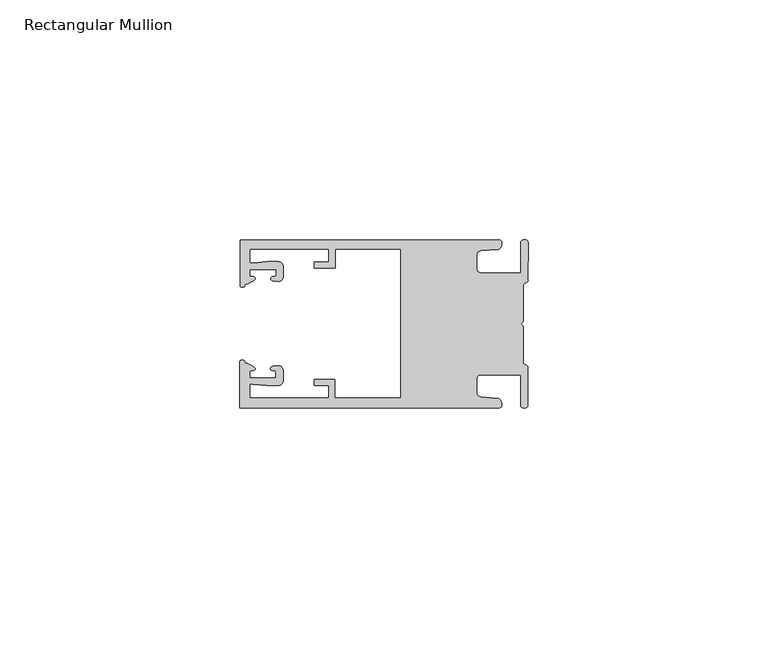
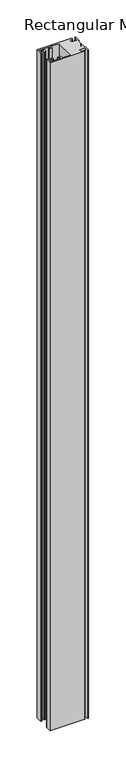
"""IFC4 building model written with IfcOpenShell, lengths in millimetres: member geometry, Rectangular Mullion."""

from ifc_helpers import new_model, si_unit, frame, origin, place, context, project, spatial, circle_curve, source, transform, mapped, element, save
from ifc_brep_helpers import plane_surface, cylinder_surface, extruded_surface, spline_curve, advanced_brep


def rectangular_mullion_03b6c600(model_context):
    return source(origin(), model_context, "Body", "AdvancedBrep", [
        advanced_brep(
        [(-60.0749377, 17.5111528, 0.0), (-60.0749377, 8.0140787, 0.0), (-59.3252567, 7.7187455, 0.0), (-58.4967974, 8.36785, 0.0), (-58.0726619, 10.1173923, 0.0), (-58.0713101, 11.3673916, 0.0), (-52.5713133, 11.3614437, 0.0), (-52.5726651, 10.1114444, 0.0), (-53.1427626, 8.8955539, 0.0), (-52.0740172, 8.8609044, 0.0), (-51.0729364, 9.8598224, 0.0), (-51.0706653, 11.9598211, 0.0), (-52.0700692, 12.9609024, 0.0), (-54.3905105, 12.9622843, 0.0), (-57.1599646, 12.7230061, 0.0), (-58.0696339, 12.9173907, 0.0), (-58.066768, 15.5673891, 0.0), (-41.5667584, 15.5673891, 0.0), (-41.5695894, 12.9495468, 0.0), (-44.5695877, 12.9527912, 0.0), (-44.5709936, 11.6527919, 0.0), (-40.2709961, 11.6481417, 0.0), (-40.2667576, 15.5673891, 0.0), (-26.6002952, 15.5673891, 0.0), (-26.6002952, -15.4518424, 0.0), (-40.3003032, -15.4518424, 0.0), (-40.2960856, -11.5518447, 0.0), (-44.5960831, -11.5471945, 0.0), (-44.597489, -12.8471938, 0.0), (-41.5974907, -12.8504381, 0.0), (-41.6003025, -15.4504366, 0.0), (-58.1002928, -15.4325927, 0.0), (-58.097427, -12.7825943, 0.0), (-57.1873395, -12.5901776, 0.0), (-54.4184094, -12.8354453, 0.0), (-52.0979705, -12.8390822, 0.0), (-51.0964037, -11.8401649, 0.0), (-51.0941327, -9.7401662, 0.0), (-52.0930507, -8.7390853, 0.0), (-53.1618685, -8.7714231, 0.0), (-52.5944022, -9.9885439, 0.0), (-52.595754, -11.2385431, 0.0), (-58.0957508, -11.2325952, 0.0), (-58.094399, -9.9825959, 0.0), (-58.5147494, -8.2321403, 0.0), (-59.3418028, -7.5812455, 0.0), (-60.0921208, -7.8749565, 0.0), (-60.0921208, -17.4888267, 0.0), (-6.1024861, -17.4888267, 0.0), (-6.5218639, -15.488372, 0.0), (-9.8784944, -15.2205466, 0.0), (-10.7989567, -14.2226333, 0.0), (-10.7961029, -11.5837474, 0.0), (-9.8734844, -10.5878272, 0.0), (-1.5950266, -10.5934991, 0.0), (-1.601948, -16.9936935, 0.0), (-0.1017194, -16.7830581, 0.0), (-0.0933208, -9.0170082, 0.0), (-1.0923837, -8.1499018, 0.0), (-1.0842165, -0.5977972, 0.0), (-1.0829111, 0.6093089, 0.0), (-1.0747439, 8.1614135, 0.0), (-0.0738079, 9.026357, 0.0), (-0.0654093, 16.7924069, 0.0), (-1.5651789, 17.0062866, 0.0), (-1.5651789, 10.6183257, 0.0), (-9.8505511, 10.6183257, 0.0), (-10.7710133, 11.6162391, 0.0), (-10.7681595, 14.255125, 0.0), (-9.845541, 15.2510452, 0.0), (-6.4883391, 15.5116099, 0.0), (-6.0646356, 17.5111528, 0.0), (-60.0749377, 17.5111528, -1096.6800002), (-6.0646356, 17.5111528, -1096.6800002), (-6.4883391, 15.5116099, -1096.6800002), (-9.845541, 15.2510452, -1096.6800002), (-10.7681595, 14.255125, -1096.6800002), (-10.7710133, 11.6162391, -1096.6800002), (-9.8505511, 10.6183257, -1096.6800002), (-1.5651789, 10.6183257, -1096.6800002), (-1.5651789, 17.0062866, -1096.6800002), (-0.0654093, 16.7924069, -1096.6800002), (-0.0738079, 9.026357, -1096.6800002), (-1.0747439, 8.1614135, -1096.6800002), (-1.0829111, 0.6093089, -1096.6800002), (-1.0842165, -0.5977972, -1096.6800002), (-1.0923837, -8.1499018, -1096.6800002), (-0.0933208, -9.0170082, -1096.6800002), (-0.1017194, -16.7830581, -1096.6800002), (-1.601948, -16.9936935, -1096.6800002), (-1.5950266, -10.5934991, -1096.6800002), (-9.8734844, -10.5878272, -1096.6800002), (-10.7961029, -11.5837474, -1096.6800002), (-10.7989567, -14.2226333, -1096.6800002), (-9.8784944, -15.2205466, -1096.6800002), (-6.5218639, -15.488372, -1096.6800002), (-6.1024861, -17.4888267, -1096.6800002), (-60.0921208, -17.4888267, -1096.6800002), (-60.0921208, -7.8749565, -1096.6800002), (-59.3418028, -7.5812455, -1096.6800002), (-58.5147494, -8.2321403, -1096.6800002), (-58.094399, -9.9825959, -1096.6800002), (-58.0957508, -11.2325952, -1096.6800002), (-52.595754, -11.2385431, -1096.6800002), (-52.5944022, -9.9885439, -1096.6800002), (-53.1618685, -8.7714231, -1096.6800002), (-52.0930507, -8.7390853, -1096.6800002), (-51.0941327, -9.7401662, -1096.6800002), (-51.0964037, -11.8401649, -1096.6800002), (-52.0979705, -12.8390823, -1096.6800002), (-54.4184094, -12.8354453, -1096.6800002), (-57.1873395, -12.5901776, -1096.6800002), (-58.097427, -12.7825943, -1096.6800002), (-58.1002928, -15.4325927, -1096.6800002), (-41.6003025, -15.4504366, -1096.6800002), (-41.5974907, -12.8504381, -1096.6800002), (-44.597489, -12.8471938, -1096.6800002), (-44.5960831, -11.5471945, -1096.6800002), (-40.2960856, -11.5518447, -1096.6800002), (-40.3003032, -15.4518424, -1096.6800002), (-26.6002952, -15.4518424, -1096.6800002), (-26.6002952, 15.5673891, -1096.6800002), (-40.2667576, 15.5673891, -1096.6800002), (-40.2709961, 11.6481417, -1096.6800002), (-44.5709936, 11.6527919, -1096.6800002), (-44.5695877, 12.9527912, -1096.6800002), (-41.5695894, 12.9495468, -1096.6800002), (-41.5667584, 15.5673891, -1096.6800002), (-58.066768, 15.5673891, -1096.6800002), (-58.0696339, 12.9173907, -1096.6800002), (-57.1599646, 12.7230061, -1096.6800002), (-54.3905105, 12.9622843, -1096.6800002), (-52.0700692, 12.9609023, -1096.6800002), (-51.0706653, 11.9598211, -1096.6800002), (-51.0729364, 9.8598224, -1096.6800002), (-52.0740172, 8.8609044, -1096.6800002), (-53.1427626, 8.8955539, -1096.6800002), (-52.5726651, 10.1114444, -1096.6800002), (-52.5713133, 11.3614437, -1096.6800002), (-58.0713101, 11.3673916, -1096.6800002), (-58.0726619, 10.1173923, -1096.6800002), (-58.4967974, 8.36785, -1096.6800002), (-59.3252567, 7.7187455, -1096.6800002), (-60.0749377, 8.0140787, -1096.6800002)],
        [
            (0, 1),
            (1, 2, spline_curve(3, [(-60.0749377, 8.0140787, 0.0), (-60.075233123, 7.740904774, 0.0), (-59.825339491, 7.642460332, 0.0), (-59.3252567, 7.7187455, 0.0)], [4, 4], [0.0, 0.0019169337574178654])),
            (2, 3, spline_curve(3, [(-59.3252567, 7.7187455, 0.0), (-59.094460914, 7.75918372, 0.0), (-59.054835463, 7.902257199, 0.0), (-59.05559987, 8.233305614, 0.0), (-59.138729113, 8.4134359, 0.0), (-58.4967974, 8.36785, 0.0)], [4, 2, 4], [0.0, 0.0010199524164107188, 0.0024874514725970356])),
            (3, 4, spline_curve(3, [(-58.4967974, 8.36785, 0.0), (-57.022393378, 9.053435667, 0.0), (-56.827266887, 9.364828726, 0.0), (-56.982213078, 9.742623404, 0.0), (-57.177375211, 9.855581791, 0.0), (-57.697928101, 9.887955071, 0.0), (-57.997449153, 9.835475348, 0.0), (-58.0726619, 10.1173923, 0.0)], [4, 2, 2, 4], [0.0, 0.003269869179570428, 0.005490050486237203, 0.0073545767114364426])),
            (4, 5),
            (5, 6),
            (6, 7),
            (7, 8, spline_curve(3, [(-52.5726651, 10.1114444, 0.0), (-52.667195519, 9.760172042, 0.0), (-52.937094388, 9.861877724, 0.0), (-53.356237032, 9.895631753, 0.0), (-53.491940439, 9.811038713, 0.0), (-53.761900775, 9.511438033, 0.0), (-53.892893546, 9.278787104, 0.0), (-53.1427626, 8.8955539, 0.0)], [4, 2, 2, 4], [0.0, 0.001593963049934732, 0.0033360256320283306, 0.005339140673503943])),
            (8, 9),
            (9, 10, circle_curve(frame((-52.0729358, 9.8609038, 0.0), z_axis=(0.0, 0.0, 1.0), x_axis=(-0.0010814451158600304, -0.9999994152380598, 0.0)), 1.0)),
            (10, 11),
            (11, 12, circle_curve(frame((-52.0706647, 11.9609026, 0.0), z_axis=(0.0, 0.0, 1.0), x_axis=(-0.0010814451158600304, -0.9999994152380598, 0.0)), 1.0)),
            (12, 13),
            (13, 14),
            (14, 15, spline_curve(3, [(-57.1599646, 12.7230061, 0.0), (-57.631533854, 12.682262968, 0.0), (-58.018602985, 12.477800124, 0.0), (-58.0696339, 12.9173907, 0.0)], [4, 4], [0.0, 0.0014803385355886016])),
            (15, 16),
            (16, 17),
            (17, 18),
            (18, 19),
            (19, 20),
            (20, 21),
            (21, 22),
            (22, 23),
            (23, 24),
            (24, 25),
            (25, 26),
            (26, 27),
            (27, 28),
            (28, 29),
            (29, 30),
            (30, 31),
            (31, 32),
            (32, 33, spline_curve(3, [(-58.097427, -12.7825943, 0.0), (-58.045445419, -12.343115126, 0.0), (-57.658819528, -12.548414611, 0.0), (-57.1873395, -12.5901776, 0.0)], [4, 4], [0.0, 0.0014803385355886016])),
            (33, 34),
            (34, 35),
            (35, 36, circle_curve(frame((-52.0964031, -11.8390835, 0.0), z_axis=(0.0, 0.0, 1.0), x_axis=(0.0010814451158600304, 0.9999994152380598, 0.0)), 1.0)),
            (36, 37),
            (37, 38, circle_curve(frame((-52.0941321, -9.7390847, 0.0), z_axis=(0.0, 0.0, 1.0), x_axis=(0.0010814451158600304, 0.9999994152380598, 0.0)), 1.0)),
            (38, 39),
            (39, 40, spline_curve(3, [(-53.1618685, -8.7714231, 0.0), (-53.912826582, -9.153032958, 0.0), (-53.782337352, -9.385966711, 0.0), (-53.51302565, -9.686150585, 0.0), (-53.377505444, -9.771037009, 0.0), (-52.958290774, -9.738189618, 0.0), (-52.688172635, -9.637067904, 0.0), (-52.5944022, -9.9885439, 0.0)], [4, 2, 2, 4], [0.0, 0.002003115041475612, 0.0037451776235692107, 0.005339140673503943])),
            (40, 41),
            (41, 42),
            (42, 43),
            (43, 44, spline_curve(3, [(-58.094399, -9.9825959, 0.0), (-58.018576674, -9.700842284, 0.0), (-57.719169706, -9.753969703, 0.0), (-57.198548014, -9.722722397, 0.0), (-57.003142178, -9.61018632, 0.0), (-56.847379222, -9.232727657, 0.0), (-57.041831673, -8.920913336, 0.0), (-58.5147494, -8.2321403, 0.0)], [4, 2, 2, 4], [0.0, 0.0018645262251992395, 0.004084707531866015, 0.0073545767114364426])),
            (44, 45, spline_curve(3, [(-58.5147494, -8.2321403, 0.0), (-59.156778208, -8.276337666, 0.0), (-59.073259494, -8.096387681, 0.0), (-59.071779067, -7.765341694, 0.0), (-59.111095017, -7.622182811, 0.0), (-59.3418028, -7.5812455, 0.0)], [4, 2, 4], [0.0, 0.0014674990561863168, 0.0024874514725970356])),
            (45, 46, spline_curve(3, [(-59.3418028, -7.5812455, 0.0), (-59.841719425, -7.503878887, 0.0), (-60.091825377, -7.601782574, 0.0), (-60.0921208, -7.8749565, 0.0)], [4, 4], [0.0, 0.0019169337574178654])),
            (46, 47),
            (47, 48),
            (48, 49, spline_curve(3, [(-6.1024861, -17.4888267, 0.0), (-5.074532184, -17.418062188, 0.0), (-5.631140689, -15.411414367, 0.0), (-6.5218639, -15.488372, 0.0)], [4, 4], [0.0, 0.0043819361547461745])),
            (49, 50),
            (50, 51, spline_curve(3, [(-9.8784944, -15.2205466, 0.0), (-10.440691543, -15.150698463, 0.0), (-10.74751234, -14.818060727, 0.0), (-10.7989567, -14.2226333, 0.0)], [4, 4], [0.0, 0.0028645797420738927])),
            (51, 52),
            (52, 53, spline_curve(3, [(-10.7961029, -11.5837474, 0.0), (-10.743370817, -10.988432634, 0.0), (-10.435831301, -10.656459204, 0.0), (-9.8734844, -10.5878272, 0.0)], [4, 4], [0.0, 0.0028645797420738927])),
            (53, 54),
            (54, 55),
            (55, 56, spline_curve(3, [(-1.601948, -16.9936935, 0.0), (-1.655676874, -17.600261454, 0.0), (-0.043737403, -17.912795581, 0.0), (-0.1017194, -16.7830581, 0.0)], [4, 4], [0.0, 0.0036987374396357936])),
            (56, 57),
            (57, 58, spline_curve(3, [(-0.0933208, -9.0170082, 0.0), (-0.018818183, -8.695886697, 0.0), (-1.193434327, -8.459763043, 0.0), (-1.0923837, -8.1499018, 0.0)], [4, 4], [0.0, 0.002027216749630121])),
            (58, 59),
            (59, 60, spline_curve(3, [(-1.0842165, -0.5977972, 0.0), (-1.013223198, -0.445980437, 0.0), (-1.487945123, -0.206736825, 0.0), (-1.487409651, 0.231097965, 0.0), (-0.999110985, 0.429090391, 0.0), (-1.0829111, 0.6093089, 0.0)], [4, 2, 4], [0.0, 0.00249866671847065, 0.005031402919736269])),
            (60, 61),
            (61, 62, spline_curve(3, [(-1.0747439, 8.1614135, 0.0), (-1.175124095, 8.47149258, 0.0), (-7e-09, 8.705075107, 0.0), (-0.0738079, 9.026357, 0.0)], [4, 4], [0.0, 0.002027216749630121])),
            (62, 63),
            (63, 64, spline_curve(3, [(-0.0654093, 16.7924069, 0.0), (-0.004983942, 17.92201633, 0.0), (-1.617595709, 17.612969344, 0.0), (-1.5651789, 17.0062866, 0.0)], [4, 4], [0.0, 0.0036987374396357936])),
            (64, 65),
            (65, 66),
            (66, 67, spline_curve(3, [(-9.8505511, 10.6183257, 0.0), (-10.412748243, 10.688173837, 0.0), (-10.71956894, 11.020811673, 0.0), (-10.7710133, 11.6162391, 0.0)], [4, 4], [0.0, 0.0028645797420738927])),
            (67, 68),
            (68, 69, spline_curve(3, [(-10.7681595, 14.255125, 0.0), (-10.715427417, 14.850439766, 0.0), (-10.407887901, 15.182413196, 0.0), (-9.845541, 15.2510452, 0.0)], [4, 4], [0.0, 0.0028645797420738927])),
            (69, 70),
            (70, 71, spline_curve(3, [(-6.4883391, 15.5116099, 0.0), (-5.597784423, 15.432725911, 0.0), (-5.036837144, 17.438165103, 0.0), (-6.0646356, 17.5111528, 0.0)], [4, 4], [0.0, 0.0043819361547461745])),
            (71, 0),
            (72, 73),
            (73, 74, spline_curve(3, [(-6.0646356, 17.5111528, -1096.6800002), (-5.036837144, 17.438165103, -1096.6800002), (-5.597784423, 15.432725911, -1096.6800002), (-6.4883391, 15.5116099, -1096.6800002)], [4, 4], [0.0, 0.0043819361547461745])),
            (74, 75),
            (75, 76, spline_curve(3, [(-9.845541, 15.2510452, -1096.6800002), (-10.407887901, 15.182413196, -1096.6800002), (-10.715427417, 14.850439766, -1096.6800002), (-10.7681595, 14.255125, -1096.6800002)], [4, 4], [0.0, 0.0028645797420738927])),
            (76, 77),
            (77, 78, spline_curve(3, [(-10.7710133, 11.6162391, -1096.6800002), (-10.71956894, 11.020811673, -1096.6800002), (-10.412748243, 10.688173837, -1096.6800002), (-9.8505511, 10.6183257, -1096.6800002)], [4, 4], [0.0, 0.0028645797420738927])),
            (78, 79),
            (79, 80),
            (80, 81, spline_curve(3, [(-1.5651789, 17.0062866, -1096.6800002), (-1.617595709, 17.612969344, -1096.6800002), (-0.004983942, 17.92201633, -1096.6800002), (-0.0654093, 16.7924069, -1096.6800002)], [4, 4], [0.0, 0.0036987374396357936])),
            (81, 82),
            (82, 83, spline_curve(3, [(-0.0738079, 9.026357, -1096.6800002), (-7e-09, 8.705075107, -1096.6800002), (-1.175124095, 8.47149258, -1096.6800002), (-1.0747439, 8.1614135, -1096.6800002)], [4, 4], [0.0, 0.002027216749630121])),
            (83, 84),
            (84, 85, spline_curve(3, [(-1.0829111, 0.6093089, -1096.6800002), (-0.999110985, 0.429090391, -1096.6800002), (-1.487409651, 0.231097965, -1096.6800002), (-1.487945123, -0.206736825, -1096.6800002), (-1.013223198, -0.445980437, -1096.6800002), (-1.0842165, -0.5977972, -1096.6800002)], [4, 2, 4], [0.0, 0.002532736201265619, 0.005031402919736269])),
            (85, 86),
            (86, 87, spline_curve(3, [(-1.0923837, -8.1499018, -1096.6800002), (-1.193434327, -8.459763043, -1096.6800002), (-0.018818183, -8.695886697, -1096.6800002), (-0.0933208, -9.0170082, -1096.6800002)], [4, 4], [0.0, 0.002027216749630121])),
            (87, 88),
            (88, 89, spline_curve(3, [(-0.1017194, -16.7830581, -1096.6800002), (-0.043737403, -17.912795581, -1096.6800002), (-1.655676874, -17.600261454, -1096.6800002), (-1.601948, -16.9936935, -1096.6800002)], [4, 4], [0.0, 0.0036987374396357936])),
            (89, 90),
            (90, 91),
            (91, 92, spline_curve(3, [(-9.8734844, -10.5878272, -1096.6800002), (-10.435831301, -10.656459204, -1096.6800002), (-10.743370817, -10.988432634, -1096.6800002), (-10.7961029, -11.5837474, -1096.6800002)], [4, 4], [0.0, 0.0028645797420738927])),
            (92, 93),
            (93, 94, spline_curve(3, [(-10.7989567, -14.2226333, -1096.6800002), (-10.74751234, -14.818060727, -1096.6800002), (-10.440691543, -15.150698463, -1096.6800002), (-9.8784944, -15.2205466, -1096.6800002)], [4, 4], [0.0, 0.0028645797420738927])),
            (94, 95),
            (95, 96, spline_curve(3, [(-6.5218639, -15.488372, -1096.6800002), (-5.631140689, -15.411414367, -1096.6800002), (-5.074532184, -17.418062188, -1096.6800002), (-6.1024861, -17.4888267, -1096.6800002)], [4, 4], [0.0, 0.0043819361547461745])),
            (96, 97),
            (97, 98),
            (98, 99, spline_curve(3, [(-60.0921208, -7.8749565, -1096.6800002), (-60.091825377, -7.601782574, -1096.6800002), (-59.841719425, -7.503878887, -1096.6800002), (-59.3418028, -7.5812455, -1096.6800002)], [4, 4], [0.0, 0.0019169337574178654])),
            (99, 100, spline_curve(3, [(-59.3418028, -7.5812455, -1096.6800002), (-59.111095017, -7.622182811, -1096.6800002), (-59.071779067, -7.765341694, -1096.6800002), (-59.073259494, -8.096387681, -1096.6800002), (-59.156778208, -8.276337666, -1096.6800002), (-58.5147494, -8.2321403, -1096.6800002)], [4, 2, 4], [0.0, 0.0010199524164107188, 0.0024874514725970356])),
            (100, 101, spline_curve(3, [(-58.5147494, -8.2321403, -1096.6800002), (-57.041831673, -8.920913336, -1096.6800002), (-56.847379222, -9.232727657, -1096.6800002), (-57.003142178, -9.61018632, -1096.6800002), (-57.198548014, -9.722722397, -1096.6800002), (-57.719169706, -9.753969703, -1096.6800002), (-58.018576674, -9.700842284, -1096.6800002), (-58.094399, -9.9825959, -1096.6800002)], [4, 2, 2, 4], [0.0, 0.003269869179570428, 0.005490050486237203, 0.0073545767114364426])),
            (101, 102),
            (102, 103),
            (103, 104),
            (104, 105, spline_curve(3, [(-52.5944022, -9.9885439, -1096.6800002), (-52.688172635, -9.637067904, -1096.6800002), (-52.958290774, -9.738189618, -1096.6800002), (-53.377505444, -9.771037009, -1096.6800002), (-53.51302565, -9.686150585, -1096.6800002), (-53.782337352, -9.385966711, -1096.6800002), (-53.912826582, -9.153032958, -1096.6800002), (-53.1618685, -8.7714231, -1096.6800002)], [4, 2, 2, 4], [0.0, 0.001593963049934732, 0.0033360256320283306, 0.005339140673503943])),
            (105, 106),
            (106, 107, circle_curve(frame((-52.0941321, -9.7390847, -1096.6800002), z_axis=(0.0, 0.0, -1.0), x_axis=(0.0010814451158600304, 0.9999994152380598, 0.0)), 1.0)),
            (107, 108),
            (108, 109, circle_curve(frame((-52.0964031, -11.8390835, -1096.6800002), z_axis=(0.0, 0.0, -1.0), x_axis=(0.0010814451158600304, 0.9999994152380598, 0.0)), 1.0)),
            (109, 110),
            (110, 111),
            (111, 112, spline_curve(3, [(-57.1873395, -12.5901776, -1096.6800002), (-57.658819528, -12.548414611, -1096.6800002), (-58.045445419, -12.343115126, -1096.6800002), (-58.097427, -12.7825943, -1096.6800002)], [4, 4], [0.0, 0.0014803385355886016])),
            (112, 113),
            (113, 114),
            (114, 115),
            (115, 116),
            (116, 117),
            (117, 118),
            (118, 119),
            (119, 120),
            (120, 121),
            (121, 122),
            (122, 123),
            (123, 124),
            (124, 125),
            (125, 126),
            (126, 127),
            (127, 128),
            (128, 129),
            (129, 130, spline_curve(3, [(-58.0696339, 12.9173907, -1096.6800002), (-58.018602985, 12.477800124, -1096.6800002), (-57.631533854, 12.682262968, -1096.6800002), (-57.1599646, 12.7230061, -1096.6800002)], [4, 4], [0.0, 0.0014803385355886016])),
            (130, 131),
            (131, 132),
            (132, 133, circle_curve(frame((-52.0706647, 11.9609026, -1096.6800002), z_axis=(0.0, 0.0, -1.0), x_axis=(-0.0010814451158600304, -0.9999994152380598, 0.0)), 1.0)),
            (133, 134),
            (134, 135, circle_curve(frame((-52.0729358, 9.8609038, -1096.6800002), z_axis=(0.0, 0.0, -1.0), x_axis=(-0.0010814451158600304, -0.9999994152380598, 0.0)), 1.0)),
            (135, 136),
            (136, 137, spline_curve(3, [(-53.1427626, 8.8955539, -1096.6800002), (-53.892893546, 9.278787104, -1096.6800002), (-53.761900775, 9.511438033, -1096.6800002), (-53.491940439, 9.811038713, -1096.6800002), (-53.356237032, 9.895631753, -1096.6800002), (-52.937094388, 9.861877724, -1096.6800002), (-52.667195519, 9.760172042, -1096.6800002), (-52.5726651, 10.1114444, -1096.6800002)], [4, 2, 2, 4], [0.0, 0.002003115041475612, 0.0037451776235692107, 0.005339140673503943])),
            (137, 138),
            (138, 139),
            (139, 140),
            (140, 141, spline_curve(3, [(-58.0726619, 10.1173923, -1096.6800002), (-57.997449153, 9.835475348, -1096.6800002), (-57.697928101, 9.887955071, -1096.6800002), (-57.177375211, 9.855581791, -1096.6800002), (-56.982213078, 9.742623404, -1096.6800002), (-56.827266887, 9.364828726, -1096.6800002), (-57.022393378, 9.053435667, -1096.6800002), (-58.4967974, 8.36785, -1096.6800002)], [4, 2, 2, 4], [0.0, 0.0018645262251992395, 0.004084707531866015, 0.0073545767114364426])),
            (141, 142, spline_curve(3, [(-58.4967974, 8.36785, -1096.6800002), (-59.138729113, 8.4134359, -1096.6800002), (-59.05559987, 8.233305614, -1096.6800002), (-59.054835463, 7.902257199, -1096.6800002), (-59.094460914, 7.75918372, -1096.6800002), (-59.3252567, 7.7187455, -1096.6800002)], [4, 2, 4], [0.0, 0.0014674990561863168, 0.0024874514725970356])),
            (142, 143, spline_curve(3, [(-59.3252567, 7.7187455, -1096.6800002), (-59.825339491, 7.642460332, -1096.6800002), (-60.075233123, 7.740904774, -1096.6800002), (-60.0749377, 8.0140787, -1096.6800002)], [4, 4], [0.0, 0.0019169337574178654])),
            (143, 72),
            (0, 72),
            (143, 1),
            (142, 2),
            (141, 3),
            (140, 4),
            (139, 5),
            (138, 6),
            (137, 7),
            (136, 8),
            (135, 9),
            (134, 10),
            (133, 11),
            (132, 12),
            (131, 13),
            (130, 14),
            (129, 15),
            (128, 16),
            (127, 17),
            (126, 18),
            (125, 19),
            (124, 20),
            (123, 21),
            (122, 22),
            (121, 23),
            (120, 24),
            (119, 25),
            (118, 26),
            (117, 27),
            (116, 28),
            (115, 29),
            (114, 30),
            (113, 31),
            (112, 32),
            (111, 33),
            (110, 34),
            (109, 35),
            (108, 36),
            (107, 37),
            (106, 38),
            (105, 39),
            (104, 40),
            (103, 41),
            (102, 42),
            (101, 43),
            (100, 44),
            (99, 45),
            (98, 46),
            (97, 47),
            (96, 48),
            (95, 49),
            (94, 50),
            (93, 51),
            (92, 52),
            (91, 53),
            (90, 54),
            (89, 55),
            (88, 56),
            (87, 57),
            (86, 58),
            (85, 59),
            (84, 60),
            (83, 61),
            (82, 62),
            (81, 63),
            (80, 64),
            (79, 65),
            (78, 66),
            (77, 67),
            (76, 68),
            (75, 69),
            (74, 70),
            (73, 71),
        ],
        [
            plane_surface(frame((0.0, -62.5853181, 0.0), z_axis=(0.0, 0.0, 1.0), x_axis=(-1.0, 0.0, 0.0))),
            plane_surface(frame((0.0, -62.5853181, -1096.6800002), z_axis=(0.0, 0.0, -1.0), x_axis=(-1.0, 0.0, 0.0))),
            plane_surface(frame((-60.0749377, 17.5111528, 0.0), z_axis=(-1.0, 0.0, 0.0), x_axis=(0.0, 0.0, -1.0))),
            extruded_surface(spline_curve(3, [(-60.0749377, 8.0140787, -1096.6800002), (-60.075233123, 7.740904774, -1096.6800002), (-59.825339491, 7.642460332, -1096.6800002), (-59.3252567, 7.7187455, -1096.6800002)], [4, 4], [0.0, 0.0019169337574178654]), (0.0, 0.0, 1096.6800002), 1096.6800002),
            extruded_surface(spline_curve(3, [(-59.3252567, 7.7187455, -1096.6800002), (-59.094460914, 7.75918372, -1096.6800002), (-59.054835463, 7.902257199, -1096.6800002), (-59.05559987, 8.233305614, -1096.6800002), (-59.138729113, 8.4134359, -1096.6800002), (-58.4967974, 8.36785, -1096.6800002)], [4, 2, 4], [0.0, 0.0010199524164107188, 0.0024874514725970356]), (0.0, 0.0, 1096.6800002), 1096.6800002),
            extruded_surface(spline_curve(3, [(-58.4967974, 8.36785, -1096.6800002), (-57.022393378, 9.053435667, -1096.6800002), (-56.827266887, 9.364828726, -1096.6800002), (-56.982213078, 9.742623404, -1096.6800002), (-57.177375211, 9.855581791, -1096.6800002), (-57.697928101, 9.887955071, -1096.6800002), (-57.997449153, 9.835475348, -1096.6800002), (-58.0726619, 10.1173923, -1096.6800002)], [4, 2, 2, 4], [0.0, 0.003269869179570428, 0.005490050486237203, 0.0073545767114364426]), (0.0, 0.0, 1096.6800002), 1096.6800002),
            plane_surface(frame((-58.0726619, 10.1173923, 0.0), z_axis=(0.9999994152380598, -0.0010814451158634145, 0.0), x_axis=(0.0, 0.0, -1.0))),
            plane_surface(frame((-58.0713101, 11.3673916, 0.0), z_axis=(-0.0010814451158616418, -0.9999994152380598, 0.0), x_axis=(0.0, 0.0, -1.0))),
            plane_surface(frame((-52.5713133, 11.3614437, 0.0), z_axis=(-0.9999994152380598, 0.0010814451158643293, 0.0), x_axis=(0.0, 0.0, -1.0))),
            extruded_surface(spline_curve(3, [(-52.5726651, 10.1114444, -1096.6800002), (-52.667195519, 9.760172042, -1096.6800002), (-52.937094388, 9.861877724, -1096.6800002), (-53.356237032, 9.895631753, -1096.6800002), (-53.491940439, 9.811038713, -1096.6800002), (-53.761900775, 9.511438033, -1096.6800002), (-53.892893546, 9.278787104, -1096.6800002), (-53.1427626, 8.8955539, -1096.6800002)], [4, 2, 2, 4], [0.0, 0.001593963049934732, 0.0033360256320283306, 0.005339140673503943]), (0.0, 0.0, 1096.6800002), 1096.6800002),
            plane_surface(frame((-53.1427626, 8.8955539, 0.0), z_axis=(-0.032403661401520414, -0.9994748634797054, 0.0), x_axis=(0.0, 0.0, -1.0))),
            cylinder_surface(frame((-52.0729358, 9.8609038, 0.0), z_axis=(0.0, 0.0, 1.0000000000000002), x_axis=(-0.0010814451158600304, -0.9999994152380598, 0.0)), 1.0),
            plane_surface(frame((-51.0729364, 9.8598224, 0.0), z_axis=(0.9999994152380598, -0.001081445115864059, 0.0), x_axis=(0.0, 0.0, -1.0))),
            cylinder_surface(frame((-52.0706647, 11.9609026, 0.0), z_axis=(0.0, 0.0, 1.0000000000000002), x_axis=(-0.0010814451158600304, -0.9999994152380598, 0.0)), 1.0),
            plane_surface(frame((-52.0700692, 12.9609023, 0.0), z_axis=(0.0005955716436318007, 0.999999822647193, 0.0), x_axis=(0.0, 0.0, -1.0))),
            plane_surface(frame((-54.3905105, 12.9622843, 0.0), z_axis=(-0.08607836189159865, 0.9962883697073147, 0.0), x_axis=(0.0, 0.0, -1.0))),
            extruded_surface(spline_curve(3, [(-57.1599646, 12.7230061, -1096.6800002), (-57.631533854, 12.682262968, -1096.6800002), (-58.018602985, 12.477800124, -1096.6800002), (-58.0696339, 12.9173907, -1096.6800002)], [4, 4], [0.0, 0.0014803385355886016]), (0.0, 0.0, 1096.6800002), 1096.6800002),
            plane_surface(frame((-58.0696339, 12.9173907, 0.0), z_axis=(0.9999994152380598, -0.0010814451158629996, 0.0), x_axis=(0.0, 0.0, -1.0))),
            plane_surface(frame((-58.066768, 15.5673891, 0.0), z_axis=(0.0, -1.0, 0.0), x_axis=(0.0, 0.0, -1.0))),
            plane_surface(frame((-41.5667584, 15.5673891, 0.0), z_axis=(-0.9999994152380598, 0.0010814451158636304, 0.0), x_axis=(0.0, 0.0, -1.0))),
            plane_surface(frame((-41.5695894, 12.9495468, 0.0), z_axis=(0.0010814451158615687, 0.9999994152380598, 0.0), x_axis=(0.0, 0.0, -1.0))),
            plane_surface(frame((-44.5695877, 12.9527912, 0.0), z_axis=(-0.9999994152380598, 0.0010814451158626742, 0.0), x_axis=(0.0, 0.0, -1.0))),
            plane_surface(frame((-44.5709936, 11.6527919, 0.0), z_axis=(-0.001081445115861604, -0.9999994152380598, 0.0), x_axis=(0.0, 0.0, -1.0))),
            plane_surface(frame((-40.2709961, 11.6481417, 0.0), z_axis=(0.9999994152380598, -0.001081445115863507, 0.0), x_axis=(0.0, 0.0, -1.0))),
            plane_surface(frame((-40.2667576, 15.5673891, 0.0), z_axis=(0.0, -1.0, 0.0), x_axis=(0.0, 0.0, -1.0))),
            plane_surface(frame((-26.6002952, 15.5673891, 0.0), z_axis=(-1.0, 0.0, 0.0), x_axis=(0.0, 0.0, -1.0))),
            plane_surface(frame((-26.6002952, -15.4518424, 0.0), z_axis=(0.0, 1.0, 0.0), x_axis=(0.0, 0.0, -1.0))),
            plane_surface(frame((-40.3003032, -15.4518424, 0.0), z_axis=(0.9999994152380598, -0.0010814451158565538, 0.0), x_axis=(0.0, 0.0, -1.0))),
            plane_surface(frame((-40.2960856, -11.5518447, 0.0), z_axis=(0.0010814451158584568, 0.9999994152380598, 0.0), x_axis=(0.0, 0.0, -1.0))),
            plane_surface(frame((-44.5960831, -11.5471945, 0.0), z_axis=(-0.9999994152380598, 0.0010814451158573867, 0.0), x_axis=(0.0, 0.0, -1.0))),
            plane_surface(frame((-44.597489, -12.8471938, 0.0), z_axis=(-0.0010814451158584922, -0.9999994152380598, 0.0), x_axis=(0.0, 0.0, -1.0))),
            plane_surface(frame((-41.5974907, -12.8504381, 0.0), z_axis=(-0.9999994152380598, 0.0010814451158564305, 0.0), x_axis=(0.0, 0.0, -1.0))),
            plane_surface(frame((-41.6003025, -15.4504366, 0.0), z_axis=(0.0010814451158583872, 0.9999994152380598, 0.0), x_axis=(0.0, 0.0, -1.0))),
            plane_surface(frame((-58.1002928, -15.4325927, 0.0), z_axis=(0.9999994152380598, -0.0010814451158570612, 0.0), x_axis=(0.0, 0.0, -1.0))),
            extruded_surface(spline_curve(3, [(-58.097427, -12.7825943, -1096.6800002), (-58.045445419, -12.343115126, -1096.6800002), (-57.658819528, -12.548414611, -1096.6800002), (-57.1873395, -12.5901776, -1096.6800002)], [4, 4], [0.0, 0.0014803385355886016]), (0.0, 0.0, 1096.6800002), 1096.6800002),
            plane_surface(frame((-57.1873395, -12.5901776, 0.0), z_axis=(-0.0882330216729926, -0.9960998614026876, 0.0), x_axis=(0.0, 0.0, -1.0))),
            plane_surface(frame((-54.4184094, -12.8354453, 0.0), z_axis=(-0.0015673183327880543, -0.9999987717558677, 0.0), x_axis=(0.0, 0.0, -1.0))),
            cylinder_surface(frame((-52.0964031, -11.8390835, 0.0), z_axis=(0.0, 0.0, 1.0000000000000002), x_axis=(0.0010814451158600304, 0.9999994152380598, 0.0)), 1.0),
            plane_surface(frame((-51.0964037, -11.8401649, 0.0), z_axis=(0.9999994152380598, -0.001081445115856002, 0.0), x_axis=(0.0, 0.0, -1.0))),
            cylinder_surface(frame((-52.0941321, -9.7390847, 0.0), z_axis=(0.0, 0.0, 1.0000000000000002), x_axis=(0.0010814451158600304, 0.9999994152380598, 0.0)), 1.0),
            plane_surface(frame((-52.0930507, -8.7390853, 0.0), z_axis=(-0.030241832452872642, 0.9995426111826812, 0.0), x_axis=(0.0, 0.0, -1.0))),
            extruded_surface(spline_curve(3, [(-53.1618685, -8.7714231, -1096.6800002), (-53.912826582, -9.153032958, -1096.6800002), (-53.782337352, -9.385966711, -1096.6800002), (-53.51302565, -9.686150585, -1096.6800002), (-53.377505444, -9.771037009, -1096.6800002), (-52.958290774, -9.738189618, -1096.6800002), (-52.688172635, -9.637067904, -1096.6800002), (-52.5944022, -9.9885439, -1096.6800002)], [4, 2, 2, 4], [0.0, 0.002003115041475612, 0.0037451776235692107, 0.005339140673503943]), (0.0, 0.0, 1096.6800002), 1096.6800002),
            plane_surface(frame((-52.5944022, -9.9885439, 0.0), z_axis=(-0.9999994152380598, 0.0010814451158557316, 0.0), x_axis=(0.0, 0.0, -1.0))),
            plane_surface(frame((-52.595754, -11.2385431, 0.0), z_axis=(0.001081445115858419, 0.9999994152380598, 0.0), x_axis=(0.0, 0.0, -1.0))),
            plane_surface(frame((-58.0957508, -11.2325952, 0.0), z_axis=(0.9999994152380598, -0.0010814451158566464, 0.0), x_axis=(0.0, 0.0, -1.0))),
            extruded_surface(spline_curve(3, [(-58.094399, -9.9825959, -1096.6800002), (-58.018576674, -9.700842284, -1096.6800002), (-57.719169706, -9.753969703, -1096.6800002), (-57.198548014, -9.722722397, -1096.6800002), (-57.003142178, -9.61018632, -1096.6800002), (-56.847379222, -9.232727657, -1096.6800002), (-57.041831673, -8.920913336, -1096.6800002), (-58.5147494, -8.2321403, -1096.6800002)], [4, 2, 2, 4], [0.0, 0.0018645262251992395, 0.004084707531866015, 0.0073545767114364426]), (0.0, 0.0, 1096.6800002), 1096.6800002),
            extruded_surface(spline_curve(3, [(-58.5147494, -8.2321403, -1096.6800002), (-59.156778208, -8.276337666, -1096.6800002), (-59.073259494, -8.096387681, -1096.6800002), (-59.071779067, -7.765341694, -1096.6800002), (-59.111095017, -7.622182811, -1096.6800002), (-59.3418028, -7.5812455, -1096.6800002)], [4, 2, 4], [0.0, 0.0014674990561863168, 0.0024874514725970356]), (0.0, 0.0, 1096.6800002), 1096.6800002),
            extruded_surface(spline_curve(3, [(-59.3418028, -7.5812455, -1096.6800002), (-59.841719425, -7.503878887, -1096.6800002), (-60.091825377, -7.601782574, -1096.6800002), (-60.0921208, -7.8749565, -1096.6800002)], [4, 4], [0.0, 0.0019169337574178654]), (0.0, 0.0, 1096.6800002), 1096.6800002),
            plane_surface(frame((-60.0921208, -7.8749565, 0.0), z_axis=(-1.0, 0.0, 0.0), x_axis=(0.0, 0.0, -1.0))),
            plane_surface(frame((-60.0921208, -17.4888267, 0.0), z_axis=(0.0, -1.0, 0.0), x_axis=(0.0, 0.0, -1.0))),
            extruded_surface(spline_curve(3, [(-6.1024861, -17.4888267, -1096.6800002), (-5.074532184, -17.418062188, -1096.6800002), (-5.631140689, -15.411414367, -1096.6800002), (-6.5218639, -15.488372, -1096.6800002)], [4, 4], [0.0, 0.0043819361547461745]), (0.0, 0.0, 1096.6800002), 1096.6800002),
            plane_surface(frame((-6.5218639, -15.488372, 0.0), z_axis=(0.07953716124904908, 0.9968319015663789, 0.0), x_axis=(0.0, 0.0, -1.0))),
            extruded_surface(spline_curve(3, [(-9.8784944, -15.2205466, -1096.6800002), (-10.440691543, -15.150698463, -1096.6800002), (-10.74751234, -14.818060727, -1096.6800002), (-10.7989567, -14.2226333, -1096.6800002)], [4, 4], [0.0, 0.0028645797420738927]), (0.0, 0.0, 1096.6800002), 1096.6800002),
            plane_surface(frame((-10.7989567, -14.2226333, 0.0), z_axis=(0.9999994152380598, -0.0010814451158568247, 0.0), x_axis=(0.0, 0.0, -1.0))),
            extruded_surface(spline_curve(3, [(-10.7961029, -11.5837474, -1096.6800002), (-10.743370817, -10.988432634, -1096.6800002), (-10.435831301, -10.656459204, -1096.6800002), (-9.8734844, -10.5878272, -1096.6800002)], [4, 4], [0.0, 0.0028645797420738927]), (0.0, 0.0, 1096.6800002), 1096.6800002),
            plane_surface(frame((-9.8734844, -10.5878272, 0.0), z_axis=(-0.0006851371995361226, -0.9999997652934814, 0.0), x_axis=(0.0, 0.0, -1.0))),
            plane_surface(frame((-1.5950266, -10.5934991, 0.0), z_axis=(-0.9999994152380598, 0.0010814451158568644, 0.0), x_axis=(0.0, 0.0, -1.0))),
            extruded_surface(spline_curve(3, [(-1.601948, -16.9936935, -1096.6800002), (-1.655676874, -17.600261454, -1096.6800002), (-0.043737403, -17.912795581, -1096.6800002), (-0.1017194, -16.7830581, -1096.6800002)], [4, 4], [0.0, 0.0036987374396357936]), (0.0, 0.0, 1096.6800002), 1096.6800002),
            plane_surface(frame((-0.1017194, -16.7830581, 0.0), z_axis=(0.9999994152380598, -0.001081445115856699, 0.0), x_axis=(0.0, 0.0, -1.0))),
            extruded_surface(spline_curve(3, [(-0.0933208, -9.0170082, -1096.6800002), (-0.018818183, -8.695886697, -1096.6800002), (-1.193434327, -8.459763043, -1096.6800002), (-1.0923837, -8.1499018, -1096.6800002)], [4, 4], [0.0, 0.002027216749630121]), (0.0, 0.0, 1096.6800002), 1096.6800002),
            plane_surface(frame((-1.0923837, -8.1499018, 0.0), z_axis=(0.9999994152380598, -0.0010814451158566698, 0.0), x_axis=(0.0, 0.0, -1.0))),
            extruded_surface(spline_curve(3, [(-1.0842165, -0.5977972, -1096.6800002), (-1.013223198, -0.445980437, -1096.6800002), (-1.487945123, -0.206736825, -1096.6800002), (-1.487409651, 0.231097965, -1096.6800002), (-0.999110985, 0.429090391, -1096.6800002), (-1.0829111, 0.6093089, -1096.6800002)], [4, 2, 4], [0.0, 0.00249866671847065, 0.005031402919736269]), (0.0, 0.0, 1096.6800002), 1096.6800002),
            plane_surface(frame((-1.0829111, 0.6093089, 0.0), z_axis=(0.9999994152380598, -0.001081445115863391, 0.0), x_axis=(0.0, 0.0, -1.0))),
            extruded_surface(spline_curve(3, [(-1.0747439, 8.1614135, -1096.6800002), (-1.175124095, 8.47149258, -1096.6800002), (-7e-09, 8.705075107, -1096.6800002), (-0.0738079, 9.026357, -1096.6800002)], [4, 4], [0.0, 0.002027216749630121]), (0.0, 0.0, 1096.6800002), 1096.6800002),
            plane_surface(frame((-0.0738079, 9.026357, 0.0), z_axis=(0.9999994152380598, -0.001081445115863362, 0.0), x_axis=(0.0, 0.0, -1.0))),
            extruded_surface(spline_curve(3, [(-0.0654093, 16.7924069, -1096.6800002), (-0.004983942, 17.92201633, -1096.6800002), (-1.617595709, 17.612969344, -1096.6800002), (-1.5651789, 17.0062866, -1096.6800002)], [4, 4], [0.0, 0.0036987374396357936]), (0.0, 0.0, 1096.6800002), 1096.6800002),
            plane_surface(frame((-1.5651789, 17.0062866, 0.0), z_axis=(-1.0, 0.0, 0.0), x_axis=(0.0, 0.0, -1.0))),
            plane_surface(frame((-1.5651789, 10.6183257, 0.0), z_axis=(0.0, 1.0, 0.0), x_axis=(0.0, 0.0, -1.0))),
            extruded_surface(spline_curve(3, [(-9.8505511, 10.6183257, -1096.6800002), (-10.412748243, 10.688173837, -1096.6800002), (-10.71956894, 11.020811673, -1096.6800002), (-10.7710133, 11.6162391, -1096.6800002)], [4, 4], [0.0, 0.0028645797420738927]), (0.0, 0.0, 1096.6800002), 1096.6800002),
            plane_surface(frame((-10.7710133, 11.6162391, 0.0), z_axis=(0.9999994152380598, -0.0010814451158632362, 0.0), x_axis=(0.0, 0.0, -1.0))),
            extruded_surface(spline_curve(3, [(-10.7681595, 14.255125, -1096.6800002), (-10.715427417, 14.850439766, -1096.6800002), (-10.407887901, 15.182413196, -1096.6800002), (-9.845541, 15.2510452, -1096.6800002)], [4, 4], [0.0, 0.0028645797420738927]), (0.0, 0.0, 1096.6800002), 1096.6800002),
            plane_surface(frame((-9.845541, 15.2510452, 0.0), z_axis=(0.07738093848608862, -0.9970015999781607, 0.0), x_axis=(0.0, 0.0, -1.0))),
            extruded_surface(spline_curve(3, [(-6.4883391, 15.5116099, -1096.6800002), (-5.597784423, 15.432725911, -1096.6800002), (-5.036837144, 17.438165103, -1096.6800002), (-6.0646356, 17.5111528, -1096.6800002)], [4, 4], [0.0, 0.0043819361547461745]), (0.0, 0.0, 1096.6800002), 1096.6800002),
            plane_surface(frame((-6.0646356, 17.5111528, 0.0), z_axis=(0.0, 1.0, 0.0), x_axis=(0.0, 0.0, -1.0))),
        ],
        [
            (0, [[1, 2, 3, 4, 5, 6, 7, 8, 9, 10, 11, 12, 13, 14, 15, 16, 17, 18, 19, 20, 21, 22, 23, 24, 25, 26, 27, 28, 29, 30, 31, 32, 33, 34, 35, 36, 37, 38, 39, 40, 41, 42, 43, 44, 45, 46, 47, 48, 49, 50, 51, 52, 53, 54, 55, 56, 57, 58, 59, 60, 61, 62, 63, 64, 65, 66, 67, 68, 69, 70, 71, 72]]),
            (1, [[73, 74, 75, 76, 77, 78, 79, 80, 81, 82, 83, 84, 85, 86, 87, 88, 89, 90, 91, 92, 93, 94, 95, 96, 97, 98, 99, 100, 101, 102, 103, 104, 105, 106, 107, 108, 109, 110, 111, 112, 113, 114, 115, 116, 117, 118, 119, 120, 121, 122, 123, 124, 125, 126, 127, 128, 129, 130, 131, 132, 133, 134, 135, 136, 137, 138, 139, 140, 141, 142, 143, 144]]),
            (2, [[-1, 145, -144, 146]]),
            (3, [[-2, -146, -143, 147]]),
            (4, [[-3, -147, -142, 148]]),
            (5, [[-4, -148, -141, 149]]),
            (6, [[-5, -149, -140, 150]]),
            (7, [[-6, -150, -139, 151]]),
            (8, [[-7, -151, -138, 152]]),
            (9, [[-8, -152, -137, 153]]),
            (10, [[-9, -153, -136, 154]]),
            (11, [[-10, -154, -135, 155]]),
            (12, [[-11, -155, -134, 156]]),
            (13, [[-12, -156, -133, 157]]),
            (14, [[-13, -157, -132, 158]]),
            (15, [[-14, -158, -131, 159]]),
            (16, [[-15, -159, -130, 160]]),
            (17, [[-16, -160, -129, 161]]),
            (18, [[-17, -161, -128, 162]]),
            (19, [[-18, -162, -127, 163]]),
            (20, [[-19, -163, -126, 164]]),
            (21, [[-20, -164, -125, 165]]),
            (22, [[-21, -165, -124, 166]]),
            (23, [[-22, -166, -123, 167]]),
            (24, [[-23, -167, -122, 168]]),
            (25, [[-24, -168, -121, 169]]),
            (26, [[-25, -169, -120, 170]]),
            (27, [[-26, -170, -119, 171]]),
            (28, [[-27, -171, -118, 172]]),
            (29, [[-28, -172, -117, 173]]),
            (30, [[-29, -173, -116, 174]]),
            (31, [[-30, -174, -115, 175]]),
            (32, [[-31, -175, -114, 176]]),
            (33, [[-32, -176, -113, 177]]),
            (34, [[-33, -177, -112, 178]]),
            (35, [[-34, -178, -111, 179]]),
            (36, [[-35, -179, -110, 180]]),
            (37, [[-36, -180, -109, 181]]),
            (38, [[-37, -181, -108, 182]]),
            (39, [[-38, -182, -107, 183]]),
            (40, [[-39, -183, -106, 184]]),
            (41, [[-40, -184, -105, 185]]),
            (42, [[-41, -185, -104, 186]]),
            (43, [[-42, -186, -103, 187]]),
            (44, [[-43, -187, -102, 188]]),
            (45, [[-44, -188, -101, 189]]),
            (46, [[-45, -189, -100, 190]]),
            (47, [[-46, -190, -99, 191]]),
            (48, [[-47, -191, -98, 192]]),
            (49, [[-48, -192, -97, 193]]),
            (50, [[-49, -193, -96, 194]]),
            (51, [[-50, -194, -95, 195]]),
            (52, [[-51, -195, -94, 196]]),
            (53, [[-52, -196, -93, 197]]),
            (54, [[-53, -197, -92, 198]]),
            (55, [[-54, -198, -91, 199]]),
            (56, [[-55, -199, -90, 200]]),
            (57, [[-56, -200, -89, 201]]),
            (58, [[-57, -201, -88, 202]]),
            (59, [[-58, -202, -87, 203]]),
            (60, [[-59, -203, -86, 204]]),
            (61, [[-60, -204, -85, 205]]),
            (62, [[-61, -205, -84, 206]]),
            (63, [[-62, -206, -83, 207]]),
            (64, [[-63, -207, -82, 208]]),
            (65, [[-64, -208, -81, 209]]),
            (66, [[-65, -209, -80, 210]]),
            (67, [[-66, -210, -79, 211]]),
            (68, [[-67, -211, -78, 212]]),
            (69, [[-68, -212, -77, 213]]),
            (70, [[-69, -213, -76, 214]]),
            (71, [[-70, -214, -75, 215]]),
            (72, [[-71, -215, -74, 216]]),
            (73, [[-72, -216, -73, -145]]),
        ],
    ),
    ])


if __name__ == "__main__":
    model = new_model("IFC4")
    model_context = context("Model", 3, world=origin())
    ifc_project = project(units=[si_unit("LENGTHUNIT", "METRE", prefix="MILLI")], contexts=[model_context])
    site = spatial("IfcSite", under=ifc_project)
    building = spatial("IfcBuilding", under=site)
    placement = place(None, origin())
    rectangular_mullion_shape = rectangular_mullion_03b6c600(model_context)
    element("IfcMember", 1, ObjectType="Rectangular Mullion", at=placement, inside=building, context=model_context, shape_type="MappedRepresentation", body=[
        mapped(rectangular_mullion_shape, transform((0.0, 0.0, 0.0), x_axis=(1.0, 0.0, 0.0), y_axis=(0.0, 1.0, 0.0), z_axis=(0.0, 0.0, 1.0))),
    ])
    save(model, "model.ifc")
